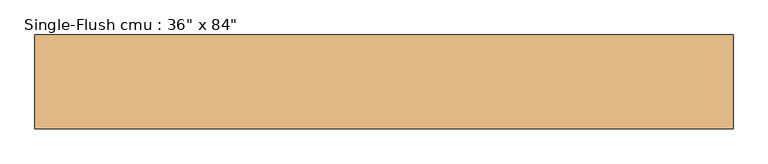
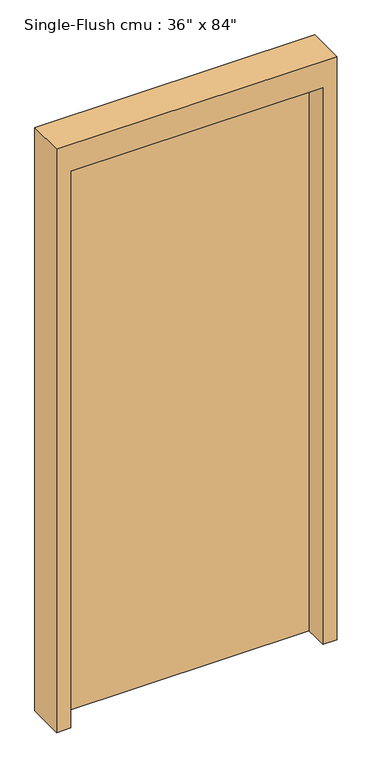
"""IFC4 building model written with IfcOpenShell, lengths in millimetres: door geometry."""

from ifc_helpers import new_model, si_unit, frame, origin, origin_with_axes, place, context, project, spatial, polyline, outline, extrude, source, transform, mapped, element, save


def door_755fcb40(model_context):
    return source(origin(), model_context, "Body", "SweptSolid", [
        extrude(outline(polyline([(2235.2, 508.0), (2235.2, -508.0), (0.0, -508.0), (0.0, -457.2), (2133.6, -457.2), (2133.6, 457.2), (0.0, 457.2), (0.0, 508.0), (2235.2, 508.0)])), frame((0.0, -68.2625, 0.0), z_axis=(0.0, 1.0, 0.0), x_axis=(0.0, 0.0, 1.0)), (0.0, 0.0, 1.0), 136.525),
        extrude(outline(polyline([(457.2, 17.4625), (-457.2, 17.4625), (-457.2, 68.2625), (457.2, 68.2625), (457.2, 17.4625)])), origin_with_axes(), (0.0, 0.0, 1.0), 2133.6),
    ])


if __name__ == "__main__":
    model = new_model("IFC4")
    model_context = context("Model", 3, world=origin())
    ifc_project = project(units=[si_unit("LENGTHUNIT", "METRE", prefix="MILLI")], contexts=[model_context])
    site = spatial("IfcSite", under=ifc_project)
    building = spatial("IfcBuilding", under=site)
    placement = place(None, origin())
    door_shape = door_755fcb40(model_context)
    element("IfcDoor", 1, ObjectType="Single-Flush cmu : 36\" x 84\"", at=placement, inside=building, context=model_context, shape_type="MappedRepresentation", body=[
        mapped(door_shape, transform((0.0, 0.0, 0.0), x_axis=(1.0, 0.0, 0.0), y_axis=(0.0, 1.0, 0.0), z_axis=(0.0, 0.0, 1.0))),
    ])
    save(model, "model.ifc")
